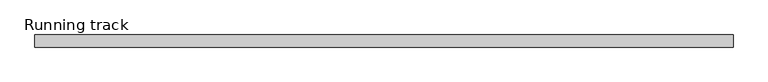
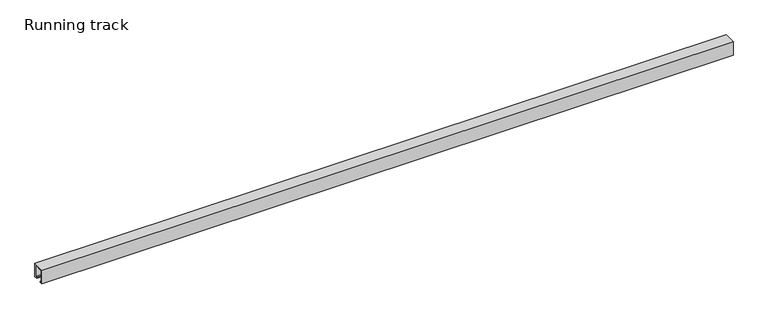
"""IFC4 building model written with IfcOpenShell, lengths in millimetres: proxy geometry, Running track."""

from ifc_helpers import new_model, si_unit, frame, origin, place, context, project, spatial, polyline, outline, extrude, source, transform, mapped, element, save


def running_track_a0432a47(model_context):
    return source(origin(), model_context, "Body", "SweptSolid", [
        extrude(outline(polyline([(17.0, 40.0), (17.0, 0.0), (9.0, 0.0), (9.0, 3.0), (14.0, 3.0), (14.0, 37.0), (-14.0, 37.0), (-14.0, 3.0), (-9.0, 3.0), (-9.0, 0.0), (-17.0, 0.0), (-17.0, 40.0), (17.0, 40.0)])), frame((0.0, 0.0, 0.0), z_axis=(1.0, 0.0, 0.0), x_axis=(0.0, 1.0, 0.0)), (0.0, 0.0, 1.0), 1950.0),
    ])


if __name__ == "__main__":
    model = new_model("IFC4")
    model_context = context("Model", 3, world=origin())
    ifc_project = project(units=[si_unit("LENGTHUNIT", "METRE", prefix="MILLI")], contexts=[model_context])
    site = spatial("IfcSite", under=ifc_project)
    building = spatial("IfcBuilding", under=site)
    placement = place(None, origin())
    running_track_shape = running_track_a0432a47(model_context)
    element("IfcBuildingElementProxy", 1, Name="Running track", ObjectType="Running track", at=placement, inside=building, context=model_context, shape_type="MappedRepresentation", body=[
        mapped(running_track_shape, transform((0.0, 0.0, 0.0), x_axis=(1.0, 0.0, 0.0), y_axis=(0.0, 1.0, 0.0), z_axis=(0.0, 0.0, 1.0))),
    ])
    save(model, "model.ifc")
